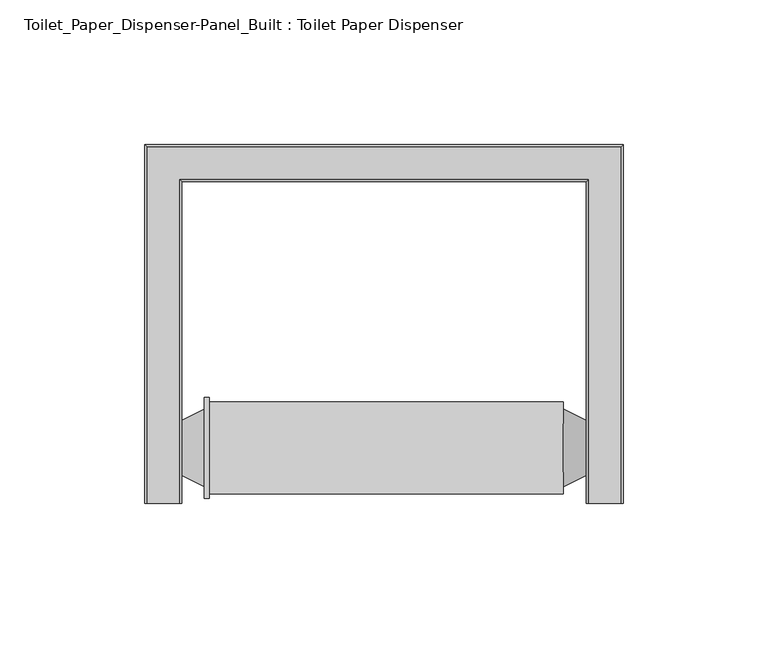
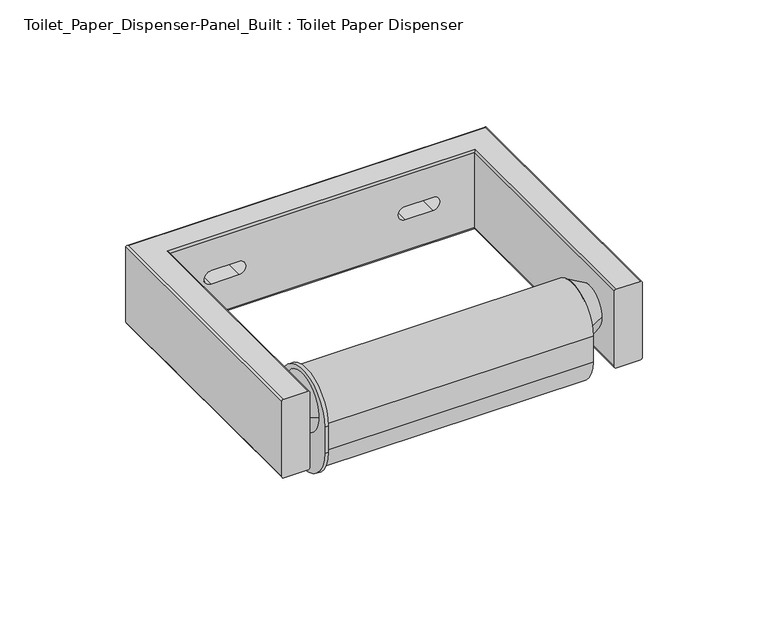
"""IFC4 building model written with IfcOpenShell, lengths in millimetres: proxy geometry, Toilet_Paper_Dispenser-Panel_Built : Toilet Paper Dispenser."""

import ifcopenshell
import ifcopenshell.guid

model = None  # the IFC model being written
_history = None  # IfcOwnerHistory: only IFC2X3 demands one
_inside = {}  # id of a spatial element -> (the spatial element, [elements in it])
_under = {}  # id of a project, library or spatial element -> (it, [spatial elements below it])
_declared = {}  # id of a project -> (the project, [libraries it declares])
_typed = {}  # id of a type object -> (the type object, [elements of that type])
_made_of = {}  # id of a material, layer set ... -> (it, [elements and type objects made of it])


def new_model(schema):
    """Start an empty IFC model of exactly this schema.

    Asked for "IFC4X3", IfcOpenShell would pick the latest addendum, in which some entities
    have other attributes; the version numbers below select the first issue.
    IFC2X3 requires an IfcOwnerHistory on every rooted entity: one is made here for all.
    """
    global model, _history
    if schema == "IFC4X3":
        model = ifcopenshell.file(schema_version=(4, 3, 0, 0))
    else:
        model = ifcopenshell.file(schema=schema)
    _inside.clear()
    _under.clear()
    _declared.clear()
    _typed.clear()
    _made_of.clear()
    _history = None
    if model.schema == "IFC2X3":
        org = make("IfcOrganization", Name="unknown")
        user = make(
            "IfcPersonAndOrganization",
            ThePerson=make("IfcPerson", FamilyName="unknown"),
            TheOrganization=org,
        )
        app = make(
            "IfcApplication",
            ApplicationDeveloper=org,
            Version="unknown",
            ApplicationFullName="unknown",
            ApplicationIdentifier="unknown",
        )
        _history = make(
            "IfcOwnerHistory",
            OwningUser=user,
            OwningApplication=app,
            ChangeAction="ADDED",
            CreationDate=0,
        )
    return model


def make(cls, **values):
    """One entity of the class cls with the attributes given. An attribute that is None is left unset."""
    return model.create_entity(
        cls, **{name: value for name, value in values.items() if value is not None}
    )


def rooted(cls, **values):
    """An entity with a GlobalId (a new one), such as an element, a storey or a relation."""
    return make(cls, GlobalId=ifcopenshell.guid.new(), OwnerHistory=_history, **values)


def si_unit(unit_type, name, prefix=None):
    """IfcSIUnit, for example si_unit("LENGTHUNIT", "METRE", prefix="MILLI")."""
    return make("IfcSIUnit", UnitType=unit_type, Prefix=prefix, Name=name)


def assignment(units):
    """IfcUnitAssignment: the units of a project."""
    return None if units is None else make("IfcUnitAssignment", Units=units)


def point(xyz):
    """IfcCartesianPoint."""
    return None if xyz is None else make("IfcCartesianPoint", Coordinates=xyz)


def direction(xyz):
    """IfcDirection."""
    return None if xyz is None else make("IfcDirection", DirectionRatios=xyz)


def frame(location, z_axis=None, x_axis=None):
    """IfcAxis2Placement3D, a coordinate frame: its origin and axes. An axis left out is left unset."""
    return make(
        "IfcAxis2Placement3D",
        Location=point(location),
        Axis=direction(z_axis),
        RefDirection=direction(x_axis),
    )


def frame_2d(location, x_axis=None):
    """IfcAxis2Placement2D, a coordinate frame in the plane: its origin and x axis."""
    return make(
        "IfcAxis2Placement2D", Location=point(location), RefDirection=direction(x_axis)
    )


def origin():
    """The frame at (0, 0, 0) with its axes left unset."""
    return frame((0.0, 0.0, 0.0))


def place(relative_to, where):
    """IfcLocalPlacement: puts the frame where relative to a parent placement (None: the world)."""
    return make(
        "IfcLocalPlacement", PlacementRelTo=relative_to, RelativePlacement=where
    )


def context(
    kind, dimensions, precision=None, world=None, true_north=None, identifier=None
):
    """IfcGeometricRepresentationContext, for example the 3D "Model" context."""
    return make(
        "IfcGeometricRepresentationContext",
        ContextIdentifier=identifier,
        ContextType=kind,
        CoordinateSpaceDimension=dimensions,
        Precision=precision,
        WorldCoordinateSystem=world,
        TrueNorth=true_north,
    )


def project(units=None, contexts=None):
    """IfcProject with its units and contexts."""
    return rooted(
        "IfcProject",
        Name="project",
        RepresentationContexts=contexts,
        UnitsInContext=assignment(units),
    )


def spatial(cls, under=None, at=None, **own):
    """A site, building, storey or space (cls), placed at a placement, below another one or the project."""
    s = rooted(cls, ObjectPlacement=at, **own)
    if under is not None:
        _under.setdefault(under.id(), (under, []))[1].append(s)
    return s


def polyline(points):
    """IfcPolyline through the points."""
    return make("IfcPolyline", Points=[point(p) for p in points])


def circle_curve(where, radius):
    """IfcCircle in the frame where."""
    return make("IfcCircle", Position=where, Radius=radius)


def ellipse_curve(where, semi_axis1, semi_axis2):
    """IfcEllipse in the frame where."""
    return make(
        "IfcEllipse", Position=where, SemiAxis1=semi_axis1, SemiAxis2=semi_axis2
    )


def trimmed(basis, trim1, trim2, sense, master):
    """IfcTrimmedCurve: the piece of a basis curve between two trims."""
    return make(
        "IfcTrimmedCurve",
        BasisCurve=basis,
        Trim1=trim1,
        Trim2=trim2,
        SenseAgreement=sense,
        MasterRepresentation=master,
    )


def segment(curve, same_sense, transition):
    """IfcCompositeCurveSegment."""
    return make(
        "IfcCompositeCurveSegment",
        Transition=transition,
        SameSense=same_sense,
        ParentCurve=curve,
    )


def composite_curve(segments, self_intersect=None):
    """IfcCompositeCurve: segments joined end to end."""
    return make("IfcCompositeCurve", Segments=segments, SelfIntersect=self_intersect)


def outline(outer, holes=None, kind="AREA"):
    """IfcArbitraryClosedProfileDef: a profile drawn as a closed curve; with holes, ...WithVoids."""
    if holes is None:
        return make("IfcArbitraryClosedProfileDef", ProfileType=kind, OuterCurve=outer)
    return make(
        "IfcArbitraryProfileDefWithVoids",
        ProfileType=kind,
        OuterCurve=outer,
        InnerCurves=holes,
    )


def extrude(swept, where, along, depth):
    """IfcExtrudedAreaSolid: the profile swept, set in the frame where, extruded along a direction by depth."""
    return make(
        "IfcExtrudedAreaSolid",
        SweptArea=swept,
        Position=where,
        ExtrudedDirection=direction(along),
        Depth=depth,
    )


def shape(context_of_items, identifier, shape_type, items):
    """IfcShapeRepresentation: the items that make up one representation, for example the "Body"."""
    return make(
        "IfcShapeRepresentation",
        ContextOfItems=context_of_items,
        RepresentationIdentifier=identifier,
        RepresentationType=shape_type,
        Items=items,
    )


def source(mapping_origin, context_of_items, identifier, shape_type, items):
    """IfcRepresentationMap: a shape defined once, which mapped items show again and again."""
    return make(
        "IfcRepresentationMap",
        MappingOrigin=mapping_origin,
        MappedRepresentation=shape(context_of_items, identifier, shape_type, items),
    )


def transform(
    local_origin,
    x_axis=None,
    y_axis=None,
    z_axis=None,
    scale=None,
    scale2=None,
    scale3=None,
    uniform=True,
):
    """IfcCartesianTransformationOperator3D, or its non-uniform kind. x_axis, y_axis, z_axis: its Axis1, 2, 3."""
    if uniform:
        return make(
            "IfcCartesianTransformationOperator3D",
            Axis1=direction(x_axis),
            Axis2=direction(y_axis),
            LocalOrigin=point(local_origin),
            Scale=scale,
            Axis3=direction(z_axis),
        )
    return make(
        "IfcCartesianTransformationOperator3DnonUniform",
        Axis1=direction(x_axis),
        Axis2=direction(y_axis),
        LocalOrigin=point(local_origin),
        Scale=scale,
        Axis3=direction(z_axis),
        Scale2=scale2,
        Scale3=scale3,
    )


def mapped(mapping_source, mapping_target):
    """IfcMappedItem: shows the shape of a source again, moved by a transform."""
    return make(
        "IfcMappedItem", MappingSource=mapping_source, MappingTarget=mapping_target
    )


def made_of(thing, what):
    """Note that an element or type object is made of a material, layer set ...; save() writes the relation."""
    if what is not None:
        _made_of.setdefault(what.id(), (what, []))[1].append(thing)
    return thing


def element(
    cls,
    number,
    at=None,
    inside=None,
    cuts=None,
    type_object=None,
    material=None,
    context=None,
    identifier="Body",
    shape_type=None,
    held_by="IfcProductDefinitionShape",
    body=None,
    shapes=None,
    **own,
):
    """One element of the class cls, such as IfcWall. Its Tag is "e" and its number.

    at: its placement. inside: the storey or other place that contains it. cuts: it is an
    opening in that element (IfcRelVoidsElement). A single representation is given by context,
    identifier, shape_type and body (its items); several are given by shapes. held_by: the class
    of the entity that holds the representations. save() writes the other relations.
    """
    e = rooted(cls, Tag="e%d" % number, ObjectPlacement=at, **own)
    if body is not None:
        shapes = [shape(context, identifier, shape_type, body)]
    if shapes is not None:
        e.Representation = make(held_by, Representations=shapes)
    if inside is not None:
        _inside.setdefault(inside.id(), (inside, []))[1].append(e)
    if cuts is not None:
        rooted(
            "IfcRelVoidsElement", RelatingBuildingElement=cuts, RelatedOpeningElement=e
        )
    if type_object is not None:
        _typed.setdefault(type_object.id(), (type_object, []))[1].append(e)
    return made_of(e, material)


def aggregate(whole, parts):
    """IfcRelAggregates: a whole, such as a stair, and the parts it consists of."""
    return rooted("IfcRelAggregates", RelatingObject=whole, RelatedObjects=parts)


def save(model, path):
    """Write the relations noted so far, then the file.

    IfcRelAggregates (storeys below a building ...), IfcRelContainedInSpatialStructure (elements
    in a storey), IfcRelDefinesByType, IfcRelAssociatesMaterial and IfcRelDeclares: one each for
    every whole, place, type object, material and project.
    """
    for whole, parts in _under.values():
        aggregate(whole, parts)
    for where, things in _inside.values():
        rooted(
            "IfcRelContainedInSpatialStructure",
            RelatedElements=things,
            RelatingStructure=where,
        )
    for kind, things in _typed.values():
        rooted("IfcRelDefinesByType", RelatedObjects=things, RelatingType=kind)
    for what, things in _made_of.values():
        rooted("IfcRelAssociatesMaterial", RelatedObjects=things, RelatingMaterial=what)
    for by, libraries in _declared.values():
        rooted("IfcRelDeclares", RelatingContext=by, RelatedDefinitions=libraries)
    model.write(path)


def plane_surface(at):
    """IfcPlane: the flat surface through the origin of the frame at, square to its z axis."""
    return make("IfcPlane", Position=at)


def cylinder_surface(at, radius):
    """IfcCylindricalSurface: all points at the distance radius from the z axis of the frame at."""
    return make("IfcCylindricalSurface", Position=at, Radius=radius)


def revolved_surface(curve, axis_point, axis_direction):
    """IfcSurfaceOfRevolution: the curve turned about the line through axis_point along axis_direction."""
    return make(
        "IfcSurfaceOfRevolution",
        SweptCurve=make("IfcArbitraryOpenProfileDef", ProfileType="CURVE", Curve=curve),
        AxisPosition=make("IfcAxis1Placement", Location=point(axis_point), Axis=direction(axis_direction)),
    )


def advanced_brep(points, edges, surfaces, faces):
    """IfcAdvancedBrep: a solid bounded by faces that lie on surfaces and meet in shared edges.

    An edge is (start, end): straight between two places in points (the first is 0);
    or (start, end, curve); or (start, end, curve, False) where it runs against its curve.
    A face is (place in surfaces, loops), or (place, loops, False) where it looks against
    its surface's normal. A loop lists edges by number (the first is 1), with a minus sign
    where the edge is run from its end to its start. The first loop is the outer one.
    """
    corners = [point(p) for p in points]
    vertices = [make("IfcVertexPoint", VertexGeometry=c) for c in corners]
    made = []
    for start, end, *more in edges:
        made.append(
            make(
                "IfcEdgeCurve",
                EdgeStart=vertices[start],
                EdgeEnd=vertices[end],
                EdgeGeometry=more[0] if more else make("IfcPolyline", Points=[corners[start], corners[end]]),
                SameSense=more[1] if len(more) > 1 else True,
            )
        )
    hull = []
    for where, loops, *sense in faces:
        bounds = []
        for j, loop in enumerate(loops):
            ring = [make("IfcOrientedEdge", EdgeElement=made[abs(k) - 1], Orientation=k > 0) for k in loop]
            bounds.append(
                make(
                    "IfcFaceOuterBound" if j == 0 else "IfcFaceBound",
                    Bound=make("IfcEdgeLoop", EdgeList=ring),
                    Orientation=True,
                )
            )
        hull.append(make("IfcAdvancedFace", Bounds=bounds, FaceSurface=surfaces[where], SameSense=sense[0] if sense else True))
    return make("IfcAdvancedBrep", Outer=make("IfcClosedShell", CfsFaces=hull))


def toilet_paper_dispenser_panel_built_toilet_paper_dispenser_f1a2072a(model_context):
    return source(origin(), model_context, "Body", "SolidModel", [
        advanced_brep(
        [(-70.7128524, -123.825, 501.65), (-81.6871476, -123.825, 501.65), (-82.55, -123.825, 500.7871476), (-82.55, -123.825, 464.4128524), (-81.6871476, -123.825, 463.55), (-70.7128524, -123.825, 463.55), (-69.85, -123.825, 464.4128524), (-69.85, -123.825, 500.7871476), (-70.7128524, -11.8371476, 501.65), (70.7128524, -11.8371476, 501.65), (70.7128524, -123.825, 501.65), (81.6871476, -123.825, 501.65), (81.6871476, -0.8628524, 501.65), (-81.6871476, -0.8628524, 501.65), (-82.55, 0.0, 500.7871476), (-82.55, 0.0, 464.4128524), (-81.6871476, -0.8628524, 463.55), (81.6871476, -0.8628524, 463.55), (81.6871476, -123.825, 463.55), (70.7128524, -123.825, 463.55), (70.7128524, -11.8371476, 463.55), (-70.7128524, -11.8371476, 463.55), (-69.85, -12.7, 464.4128524), (-69.85, -12.7, 500.7871476), (82.55, 0.0, 500.7871476), (82.55, 0.0, 464.4128524), (-50.8, 0.0, 479.425), (-38.1, 0.0, 479.425), (-38.1, 0.0, 485.775), (-50.8, 0.0, 485.775), (38.1, 0.0, 479.425), (50.8, 0.0, 479.425), (50.8, 0.0, 485.775), (38.1, 0.0, 485.775), (69.85, -12.7, 464.4128524), (69.85, -12.7, 500.7871476), (-38.1, -12.7, 479.425), (-50.8, -12.7, 479.425), (-50.8, -12.7, 485.775), (-38.1, -12.7, 485.775), (50.8, -12.7, 479.425), (38.1, -12.7, 479.425), (38.1, -12.7, 485.775), (50.8, -12.7, 485.775), (69.85, -123.825, 500.7871476), (69.85, -123.825, 464.4128524), (82.55, -123.825, 464.4128524), (82.55, -123.825, 500.7871476)],
        [
            (0, 1),
            (1, 2, circle_curve(frame((-81.6871476, -123.825, 500.7871476), z_axis=(0.0, -1.0, 0.0), x_axis=(-1.0, 0.0, 0.0)), 0.8628524)),
            (2, 3),
            (3, 4, circle_curve(frame((-81.6871476, -123.825, 464.4128524), z_axis=(0.0, -1.0, 0.0), x_axis=(-1.0, 0.0, 0.0)), 0.8628524)),
            (4, 5),
            (5, 6, circle_curve(frame((-70.7128524, -123.825, 464.4128524), z_axis=(0.0, -1.0, 0.0), x_axis=(1.0, 0.0, 0.0)), 0.8628524)),
            (6, 7),
            (7, 0, circle_curve(frame((-70.7128524, -123.825, 500.7871476), z_axis=(0.0, -1.0, 0.0), x_axis=(1.0, 0.0, 0.0)), 0.8628524)),
            (0, 8),
            (8, 9),
            (9, 10),
            (10, 11),
            (11, 12),
            (12, 13),
            (13, 1),
            (13, 14, ellipse_curve(frame((-81.6871476, -0.8628524, 500.7871476), z_axis=(-0.7071067811865468, -0.7071067811865481, 0.0), x_axis=(0.7071067811865481, -0.7071067811865469, 0.0)), 1.2202575, 0.8628524)),
            (14, 2),
            (14, 15),
            (15, 3),
            (15, 16, ellipse_curve(frame((-81.6871476, -0.8628524, 464.4128524), z_axis=(-0.7071067811865468, -0.7071067811865481, 0.0), x_axis=(0.7071067811865481, -0.7071067811865469, 0.0)), 1.2202575, 0.8628524)),
            (16, 4),
            (16, 17),
            (17, 18),
            (18, 19),
            (19, 20),
            (20, 21),
            (21, 5),
            (21, 22, ellipse_curve(frame((-70.7128524, -11.8371476, 464.4128524), z_axis=(-0.7071067811865491, -0.7071067811865459, 0.0), x_axis=(0.7071067811865458, -0.7071067811865492, 0.0)), 1.2202575, 0.8628524)),
            (22, 6),
            (22, 23),
            (23, 7),
            (23, 8, ellipse_curve(frame((-70.7128524, -11.8371476, 500.7871476), z_axis=(-0.7071067811865491, -0.7071067811865459, 0.0), x_axis=(0.7071067811865458, -0.7071067811865492, 0.0)), 1.2202575, 0.8628524)),
            (12, 24, ellipse_curve(frame((81.6871476, -0.8628524, 500.7871476), z_axis=(-0.7071067811865481, 0.7071067811865469, 0.0), x_axis=(-0.707106781186547, -0.707106781186548, 0.0)), 1.2202575, 0.8628524)),
            (24, 14),
            (24, 25),
            (25, 15),
            (26, 27),
            (27, 28, circle_curve(frame((-38.1, 0.0, 482.6), z_axis=(0.0, -1.0, 0.0), x_axis=(1.0, 0.0, 0.0)), 3.175)),
            (28, 29),
            (29, 26, circle_curve(frame((-50.8, 0.0, 482.6), z_axis=(0.0, -1.0, 0.0), x_axis=(1.0, 0.0, 0.0)), 3.175)),
            (30, 31),
            (31, 32, circle_curve(frame((50.8, 0.0, 482.6), z_axis=(0.0, -1.0, 0.0), x_axis=(1.0, 0.0, 0.0)), 3.175)),
            (32, 33),
            (33, 30, circle_curve(frame((38.1, 0.0, 482.6), z_axis=(0.0, -1.0, 0.0), x_axis=(1.0, 0.0, 0.0)), 3.175)),
            (25, 17, ellipse_curve(frame((81.6871476, -0.8628524, 464.4128524), z_axis=(-0.7071067811865481, 0.7071067811865469, 0.0), x_axis=(-0.707106781186547, -0.707106781186548, 0.0)), 1.2202575, 0.8628524)),
            (20, 34, ellipse_curve(frame((70.7128524, -11.8371476, 464.4128524), z_axis=(-0.7071067811865458, 0.7071067811865492, 0.0), x_axis=(-0.7071067811865492, -0.7071067811865458, 0.0)), 1.2202575, 0.8628524)),
            (34, 22),
            (34, 35),
            (35, 23),
            (36, 37),
            (37, 38, circle_curve(frame((-50.8, -12.7, 482.6), z_axis=(0.0, 1.0, 0.0), x_axis=(1.0, 0.0, 0.0)), 3.175)),
            (38, 39),
            (39, 36, circle_curve(frame((-38.1, -12.7, 482.6), z_axis=(0.0, 1.0, 0.0), x_axis=(1.0, 0.0, 0.0)), 3.175)),
            (40, 41),
            (41, 42, circle_curve(frame((38.1, -12.7, 482.6), z_axis=(0.0, 1.0, 0.0), x_axis=(1.0, 0.0, 0.0)), 3.175)),
            (42, 43),
            (43, 40, circle_curve(frame((50.8, -12.7, 482.6), z_axis=(0.0, 1.0, 0.0), x_axis=(1.0, 0.0, 0.0)), 3.175)),
            (35, 9, ellipse_curve(frame((70.7128524, -11.8371476, 500.7871476), z_axis=(-0.7071067811865458, 0.7071067811865492, 0.0), x_axis=(-0.7071067811865492, -0.7071067811865458, 0.0)), 1.2202575, 0.8628524)),
            (10, 44, circle_curve(frame((70.7128524, -123.825, 500.7871476), z_axis=(0.0, -1.0, 0.0), x_axis=(-1.0, 0.0, 0.0)), 0.8628524)),
            (44, 45),
            (45, 19, circle_curve(frame((70.7128524, -123.825, 464.4128524), z_axis=(0.0, -1.0, 0.0), x_axis=(-1.0, 0.0, 0.0)), 0.8628524)),
            (18, 46, circle_curve(frame((81.6871476, -123.825, 464.4128524), z_axis=(0.0, -1.0, 0.0), x_axis=(1.0, 0.0, 0.0)), 0.8628524)),
            (46, 47),
            (47, 11, circle_curve(frame((81.6871476, -123.825, 500.7871476), z_axis=(0.0, -1.0, 0.0), x_axis=(1.0, 0.0, 0.0)), 0.8628524)),
            (47, 24),
            (46, 25),
            (45, 34),
            (44, 35),
            (26, 37),
            (36, 27),
            (39, 28),
            (38, 29),
            (30, 41),
            (40, 31),
            (43, 32),
            (42, 33),
        ],
        [
            plane_surface(frame((-82.55, -123.825, 0.0), z_axis=(0.0, -1.0, 0.0), x_axis=(0.0, 0.0, 1.0))),
            plane_surface(frame((-70.7128524, -123.825, 501.65), z_axis=(0.0, 0.0, 1.0), x_axis=(0.0, 1.0, 0.0))),
            cylinder_surface(frame((-81.6871476, -123.825, 500.7871476), z_axis=(0.0, -1.0, 0.0), x_axis=(-1.0, 0.0, 0.0)), 0.8628524),
            plane_surface(frame((-82.55, -123.825, 500.7871476), z_axis=(-1.0, 0.0, 0.0), x_axis=(0.0, 1.0, 0.0))),
            cylinder_surface(frame((-81.6871476, -123.825, 464.4128524), z_axis=(0.0, -1.0, 0.0), x_axis=(-1.0, 0.0, 0.0)), 0.8628524),
            plane_surface(frame((-81.6871476, -123.825, 463.55), z_axis=(0.0, 0.0, -1.0), x_axis=(0.0, 1.0, 0.0))),
            cylinder_surface(frame((-70.7128524, -123.825, 464.4128524), z_axis=(0.0, -1.0, 0.0), x_axis=(1.0, 0.0, 0.0)), 0.8628524),
            plane_surface(frame((-69.85, -123.825, 464.4128524), z_axis=(1.0, 0.0, 0.0), x_axis=(0.0, 1.0, 0.0))),
            cylinder_surface(frame((-70.7128524, -123.825, 500.7871476), z_axis=(0.0, -1.0, 0.0), x_axis=(1.0, 0.0, 0.0)), 0.8628524),
            cylinder_surface(frame((-82.55, -0.8628524, 500.7871476), z_axis=(-1.0, 0.0, 0.0), x_axis=(0.0, 1.0, 0.0)), 0.8628524),
            plane_surface(frame((-82.55, 0.0, 500.7871476), z_axis=(0.0, 1.0, 0.0), x_axis=(1.0, 0.0, 0.0))),
            cylinder_surface(frame((-82.55, -0.8628524, 464.4128524), z_axis=(-1.0, 0.0, 0.0), x_axis=(0.0, 1.0, 0.0)), 0.8628524),
            cylinder_surface(frame((-82.55, -11.8371476, 464.4128524), z_axis=(-1.0, 0.0, 0.0), x_axis=(0.0, -1.0, 0.0)), 0.8628524),
            plane_surface(frame((-69.85, -12.7, 464.4128524), z_axis=(0.0, -1.0, 0.0), x_axis=(1.0, 0.0, 0.0))),
            cylinder_surface(frame((-82.55, -11.8371476, 500.7871476), z_axis=(-1.0, 0.0, 0.0), x_axis=(0.0, -1.0, 0.0)), 0.8628524),
            plane_surface(frame((82.55, -123.825, 0.0), z_axis=(0.0, -1.0, 0.0), x_axis=(0.0, 0.0, 1.0))),
            cylinder_surface(frame((81.6871476, 0.0, 500.7871476), z_axis=(0.0, 1.0, 0.0), x_axis=(1.0, 0.0, 0.0)), 0.8628524),
            plane_surface(frame((82.55, 0.0, 500.7871476), z_axis=(1.0, 0.0, 0.0), x_axis=(0.0, -1.0, 0.0))),
            cylinder_surface(frame((81.6871476, 0.0, 464.4128524), z_axis=(0.0, 1.0, 0.0), x_axis=(1.0, 0.0, 0.0)), 0.8628524),
            cylinder_surface(frame((70.7128524, 0.0, 464.4128524), z_axis=(0.0, 1.0, 0.0), x_axis=(-1.0, 0.0, 0.0)), 0.8628524),
            plane_surface(frame((69.85, -12.7, 464.4128524), z_axis=(-1.0, 0.0, 0.0), x_axis=(0.0, -1.0, 0.0))),
            cylinder_surface(frame((70.7128524, 0.0, 500.7871476), z_axis=(0.0, 1.0, 0.0), x_axis=(-1.0, 0.0, 0.0)), 0.8628524),
            plane_surface(frame((-50.8, -70.5291845, 479.425), z_axis=(0.0, 0.0, 1.0), x_axis=(0.0, 1.0, 0.0))),
            revolved_surface(polyline([(-34.925000000000004, -12.700000000000003, 482.6), (-34.925000000000004, 0.0, 482.6)]), (-38.1, 51.7793612, 482.6), (0.0, -1.0, 0.0)),
            plane_surface(frame((-38.1, -70.5291845, 485.775), z_axis=(0.0, 0.0, -1.0), x_axis=(0.0, 1.0, 0.0))),
            revolved_surface(polyline([(-47.625, -12.700000000000003, 482.6), (-47.625, 0.0, 482.6)]), (-50.8, 51.7793612, 482.6), (0.0, -1.0, 0.0)),
            plane_surface(frame((38.1, -70.5291845, 479.425), z_axis=(0.0, 0.0, 1.0), x_axis=(0.0, 1.0, 0.0))),
            revolved_surface(polyline([(53.974999999999994, -12.7, 482.6), (53.974999999999994, 0.0, 482.6)]), (50.8, 0.0, 482.6), (0.0, -1.0, 0.0)),
            plane_surface(frame((50.8, -70.5291845, 485.775), z_axis=(0.0, 0.0, -1.0), x_axis=(0.0, 1.0, 0.0))),
            revolved_surface(polyline([(41.275, -12.7, 482.6), (41.275, 0.0, 482.6)]), (38.1, 0.0, 482.6), (0.0, -1.0, 0.0)),
        ],
        [
            (0, [[1, 2, 3, 4, 5, 6, 7, 8]]),
            (1, [[-1, 9, 10, 11, 12, 13, 14, 15]]),
            (2, [[-2, -15, 16, 17]]),
            (3, [[-3, -17, 18, 19]]),
            (4, [[-4, -19, 20, 21]]),
            (5, [[-5, -21, 22, 23, 24, 25, 26, 27]]),
            (6, [[-6, -27, 28, 29]]),
            (7, [[-7, -29, 30, 31]]),
            (8, [[-8, -31, 32, -9]]),
            (9, [[-14, 33, 34, -16]]),
            (10, [[-18, -34, 35, 36], [37, 38, 39, 40], [41, 42, 43, 44]]),
            (11, [[-20, -36, 45, -22]]),
            (12, [[-26, 46, 47, -28]]),
            (13, [[-30, -47, 48, 49], [50, 51, 52, 53], [54, 55, 56, 57]]),
            (14, [[-10, -32, -49, 58]]),
            (15, [[-12, 59, 60, 61, -24, 62, 63, 64]]),
            (16, [[-13, -64, 65, -33]]),
            (17, [[-35, -65, -63, 66]]),
            (18, [[-23, -45, -66, -62]]),
            (19, [[-25, -61, 67, -46]]),
            (20, [[-48, -67, -60, 68]]),
            (21, [[-11, -58, -68, -59]]),
            (22, [[69, -50, 70, -37]]),
            (23, [[-70, -53, 71, -38]]),
            (24, [[-71, -52, 72, -39]]),
            (25, [[-69, -40, -72, -51]]),
            (26, [[73, -54, 74, -41]]),
            (27, [[-74, -57, 75, -42]]),
            (28, [[-75, -56, 76, -43]]),
            (29, [[-73, -44, -76, -55]]),
        ],
    ),
        advanced_brep(
        [(61.9233222, -118.2426748, 482.6), (61.9233222, -91.3073252, 482.6), (69.85, -114.3, 482.6), (69.85, -95.25, 482.6)],
        [
            (0, 1, circle_curve(frame((61.9233222, -104.775, 482.6), z_axis=(-1.0, 0.0, 0.0), x_axis=(0.0, -1.0, 0.0)), 13.4676748)),
            (1, 0, circle_curve(frame((61.9233222, -104.775, 482.6), z_axis=(-1.0, 0.0, 0.0), x_axis=(0.0, 1.0, 0.0)), 13.4676748)),
            (2, 3, circle_curve(frame((69.85, -104.775, 482.6), z_axis=(1.0, 0.0, 0.0), x_axis=(0.0, 1.0, 0.0)), 9.525)),
            (3, 2, circle_curve(frame((69.85, -104.775, 482.6), z_axis=(1.0, 0.0, 0.0), x_axis=(0.0, -1.0, 0.0)), 9.525)),
            (2, 0),
            (1, 3),
        ],
        [
            plane_surface(frame((61.9233222, -104.775, 482.6), z_axis=(-1.0, 0.0, 0.0), x_axis=(0.0, 0.0, 1.0))),
            plane_surface(frame((69.85, -104.775, 482.6), z_axis=(1.0, 0.0, 0.0), x_axis=(0.0, 0.0, 1.0))),
            revolved_surface(polyline([(69.85, -114.30000001954447, 482.6), (61.9233222, -118.2426748, 482.6)]), (88.9998438, -104.775, 482.6), (-1.0, 0.0, 0.0)),
            revolved_surface(polyline([(69.85, -95.24999998045553, 482.6), (61.9233222, -91.3073252, 482.6)]), (88.9998438, -104.775, 482.6), (-1.0, 0.0, 0.0)),
        ],
        [
            (0, [[1, 2]]),
            (1, [[3, 4]]),
            (2, [[-3, 5, -2, 6]]),
            (3, [[-4, -6, -1, -5]]),
        ],
    ),
        extrude(outline(composite_curve([segment(trimmed(circle_curve(frame_2d((-104.775, 480.1926748)), 17.4625), [point((-122.2375, 480.1926748))], [point((-87.3125, 480.1926748))], False, "CARTESIAN"), True, "CONTINUOUS"), segment(polyline([(-87.3125, 480.1926748), (-87.3125, 467.4926748)]), True, "CONTINUOUS"), segment(trimmed(circle_curve(frame_2d((-104.775, 467.4926748)), 17.4625), [point((-87.3125, 467.4926748))], [point((-122.2375, 467.4926748))], False, "CARTESIAN"), True, "CONTINUOUS"), segment(polyline([(-122.2375, 467.4926748), (-122.2375, 480.1926748)]), True, "CONTINUOUS")], self_intersect=False)), frame((-62.0225668, 0.0, 0.0), z_axis=(1.0, 0.0, 0.0), x_axis=(0.0, 1.0, 0.0)), (0.0, 0.0, 1.0), 1.6867446),
        advanced_brep(
        [(-61.9233222, -118.2426748, 482.6), (-61.9233222, -91.3073252, 482.6), (-69.85, -114.3, 482.6), (-69.85, -95.25, 482.6)],
        [
            (0, 1, circle_curve(frame((-61.9233222, -104.775, 482.6), z_axis=(1.0, 0.0, 0.0), x_axis=(0.0, -1.0, 0.0)), 13.4676748)),
            (1, 0, circle_curve(frame((-61.9233222, -104.775, 482.6), z_axis=(1.0, 0.0, 0.0), x_axis=(0.0, 1.0, 0.0)), 13.4676748)),
            (2, 3, circle_curve(frame((-69.85, -104.775, 482.6), z_axis=(-1.0, 0.0, 0.0), x_axis=(0.0, 1.0, 0.0)), 9.525)),
            (3, 2, circle_curve(frame((-69.85, -104.775, 482.6), z_axis=(-1.0, 0.0, 0.0), x_axis=(0.0, -1.0, 0.0)), 9.525)),
            (3, 1),
            (0, 2),
        ],
        [
            plane_surface(frame((-61.9233222, -104.775, 482.6), z_axis=(1.0, 0.0, 0.0), x_axis=(0.0, 0.0, -1.0))),
            plane_surface(frame((-69.85, -104.775, 482.6), z_axis=(-1.0, 0.0, 0.0), x_axis=(0.0, 0.0, -1.0))),
            revolved_surface(polyline([(-69.85, -95.24999998045553, 482.6), (-61.9233222, -91.3073252, 482.6)]), (-88.9998438, -104.775, 482.6), (1.0, 0.0, 0.0)),
            revolved_surface(polyline([(-69.85, -114.30000001954447, 482.6), (-61.9233222, -118.2426748, 482.6)]), (-88.9998438, -104.775, 482.6), (1.0, 0.0, 0.0)),
        ],
        [
            (0, [[1, 2]]),
            (1, [[3, 4]]),
            (2, [[-4, 5, -1, 6]]),
            (3, [[-3, -6, -2, -5]]),
        ],
    ),
        extrude(outline(composite_curve([segment(polyline([(-88.9, 480.1926748), (-88.9, 467.4926748)]), True, "CONTINUOUS"), segment(trimmed(circle_curve(frame_2d((-104.775, 467.4926748)), 15.875), [point((-88.9, 467.4926748))], [point((-120.65, 467.4926748))], False, "CARTESIAN"), True, "CONTINUOUS"), segment(polyline([(-120.65, 467.4926748), (-120.65, 480.1926748)]), True, "CONTINUOUS"), segment(trimmed(circle_curve(frame_2d((-104.775, 480.1926748)), 15.875), [point((-120.65, 480.1926748))], [point((-88.9, 480.1926748))], False, "CARTESIAN"), True, "CONTINUOUS")], self_intersect=False)), frame((-60.3358222, 0.0, 0.0), z_axis=(1.0, 0.0, 0.0), x_axis=(0.0, 1.0, 0.0)), (0.0, 0.0, 1.0), 122.2591444),
    ])


if __name__ == "__main__":
    model = new_model("IFC4")
    model_context = context("Model", 3, world=origin())
    ifc_project = project(units=[si_unit("LENGTHUNIT", "METRE", prefix="MILLI")], contexts=[model_context])
    site = spatial("IfcSite", under=ifc_project)
    building = spatial("IfcBuilding", under=site)
    placement = place(None, origin())
    toilet_paper_dispenser_panel_built_toilet_paper_dispenser_shape = toilet_paper_dispenser_panel_built_toilet_paper_dispenser_f1a2072a(model_context)
    element("IfcBuildingElementProxy", 1, Name="Toilet_Paper_Dispenser-Panel_Built : Toilet Paper Dispenser", ObjectType="Toilet_Paper_Dispenser-Panel_Built : Toilet Paper Dispenser", at=placement, inside=building, context=model_context, shape_type="MappedRepresentation", body=[
        mapped(toilet_paper_dispenser_panel_built_toilet_paper_dispenser_shape, transform((0.0, 0.0, 0.0), x_axis=(1.0, 0.0, 0.0), y_axis=(0.0, 1.0, 0.0), z_axis=(0.0, 0.0, 1.0))),
    ])
    save(model, "model.ifc")
